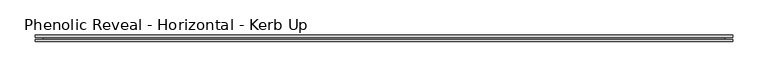
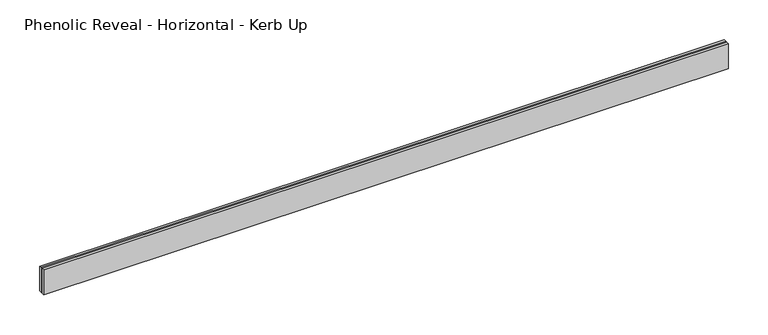
"""IFC4 building model written with IfcOpenShell, lengths in millimetres: proxy geometry, Phenolic Reveal - Horizontal - Kerb Up."""

from ifc_helpers import new_model, si_unit, origin, place, context, project, spatial, faceted_brep, source, transform, mapped, element, save


def phenolic_reveal_horizontal_kerb_up_240da290(model_context):
    return source(origin(), model_context, "Body", "Brep", [
        faceted_brep([(989.0125, 9.525, 0.0), (989.0125, 9.525, 38.1), (989.0125, 6.0765851, 38.1), (989.0125, 6.0765851, 0.0), (989.0125, 3.3757545, 0.0), (989.0125, 3.3757545, 38.1), (989.0125, 0.0, 38.1), (989.0125, 0.0, 0.0), (0.0, 0.0, 0.0), (0.0, 0.0, 38.1), (0.0, 3.3757545, 38.1), (0.0, 3.3757545, 0.0), (0.0, 6.0765851, 0.0), (0.0, 6.0765851, 38.1), (0.0, 9.525, 38.1), (0.0, 9.525, 0.0), (977.9, 6.0765851, 0.0), (977.9, 3.3757545, 0.0), (11.1125, 3.3757545, 0.0), (11.1125, 6.0765851, 0.0), (977.9, 6.0765851, 26.9875), (977.9, 3.3757545, 26.9875), (11.1125, 6.0765851, 26.9875), (11.1125, 3.3757545, 26.9875)], [[[0, 1, 2, 3]], [[4, 5, 6, 7]], [[8, 9, 10, 11]], [[12, 13, 14, 15]], [[1, 0, 15, 14]], [[6, 5, 10, 9]], [[7, 6, 9, 8]], [[15, 0, 3, 16, 17, 4, 7, 8, 11, 18, 19, 12]], [[16, 20, 21, 17]], [[22, 19, 18, 23]], [[13, 2, 1, 14]], [[12, 19, 22, 20, 16, 3, 2, 13]], [[20, 22, 23, 21]], [[4, 17, 21, 23, 18, 11, 10, 5]]]),
    ])


if __name__ == "__main__":
    model = new_model("IFC4")
    model_context = context("Model", 3, world=origin())
    ifc_project = project(units=[si_unit("LENGTHUNIT", "METRE", prefix="MILLI")], contexts=[model_context])
    site = spatial("IfcSite", under=ifc_project)
    building = spatial("IfcBuilding", under=site)
    placement = place(None, origin())
    phenolic_reveal_horizontal_kerb_up_shape = phenolic_reveal_horizontal_kerb_up_240da290(model_context)
    element("IfcBuildingElementProxy", 1, Name="Phenolic Reveal - Horizontal - Kerb Up", ObjectType="Phenolic Reveal - Horizontal - Kerb Up", at=placement, inside=building, context=model_context, shape_type="MappedRepresentation", body=[
        mapped(phenolic_reveal_horizontal_kerb_up_shape, transform((0.0, 0.0, 0.0), x_axis=(1.0, 0.0, 0.0), y_axis=(0.0, 1.0, 0.0), z_axis=(0.0, 0.0, 1.0))),
    ])
    save(model, "model.ifc")
